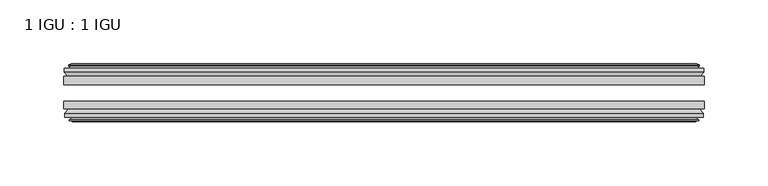
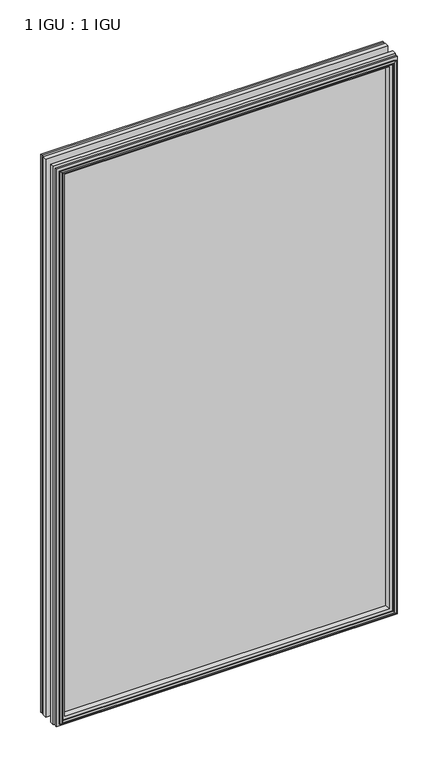
"""IFC4 building model written with IfcOpenShell, lengths in millimetres: plate geometry, 1 IGU : 1 IGU."""

from ifc_helpers import new_model, si_unit, frame, origin, place, context, project, spatial, polyline, outline, extrude, faceted_brep, source, transform, mapped, element, save


def plate_1_igu_1_igu_c4679957(model_context):
    return source(origin(), model_context, "Body", "SolidModel", [
        extrude(outline(polyline([(250.2202884, -25.8960937), (250.2202884, -32.2460938), (-250.2202884, -32.2460938), (-250.2202884, -25.8960937), (250.2202884, -25.8960937)])), frame((0.0, 0.0, -12.7), z_axis=(0.0, 0.0, 1.0), x_axis=(1.0, 0.0, 0.0)), (0.0, 0.0, 1.0), 863.6),
        extrude(outline(polyline([(-250.2202884, -51.2960938), (-250.2202884, -45.2686737), (250.2202884, -45.2686737), (250.2202884, -51.2960938), (-250.2202884, -51.2960938)])), frame((0.0, 0.0, -12.7), z_axis=(0.0, 0.0, 1.0), x_axis=(1.0, 0.0, 0.0)), (0.0, 0.0, 1.0), 863.6),
        faceted_brep([(-244.6322884, -60.0262907, 845.312), (-245.0132884, -57.6460937, 845.693), (-245.0132884, -57.6460937, -7.493), (-244.6322884, -60.0262907, -7.112), (-246.0478174, -59.5663575, 846.7275291), (-246.0478174, -59.5663575, -8.5275291), (-246.0478174, -60.3675717, 846.7275291), (-246.0478174, -60.3675717, -8.5275291), (-243.8702884, -61.0750937, 844.55), (-243.8702884, -61.0750937, -6.35), (-241.6927593, -60.3675717, 842.3724709), (-241.6927593, -60.3675717, -4.1724709), (-241.6927593, -59.5663575, 842.3724709), (-241.6927593, -59.5663575, -4.1724709), (-243.1082884, -60.0262907, 843.788), (-243.1082884, -60.0262907, -5.588), (-242.7272884, -57.6460937, 843.407), (-242.7272884, -57.6460937, -5.207), (-235.8025703, -51.2960937, 836.4822819), (-237.5202884, -57.6460937, 838.2), (-237.5202884, -57.6460937, 0.0), (-235.8025703, -51.2960937, 1.7177181), (-249.4582884, -54.6996937, 850.138), (-246.6239462, -51.2960937, 847.3036578), (-246.6239462, -51.2960937, -9.1036578), (-249.4582884, -54.6996937, -11.938), (-249.4582884, -57.6460937, 850.138), (-249.4582884, -57.6460937, -11.938), (245.0132884, -57.6460938, -7.493), (244.6322884, -60.0262907, -7.112), (246.0478174, -59.5663575, -8.5275291), (246.0478174, -60.3675717, -8.5275291), (243.8702884, -61.0750937, -6.35), (241.6927593, -60.3675717, -4.1724709), (241.6927593, -59.5663575, -4.1724709), (243.1082884, -60.0262907, -5.588), (242.7272884, -57.6460937, -5.207), (237.5202884, -57.6460937, 0.0), (235.8025703, -51.2960937, 1.7177181), (246.6239462, -51.2960937, -9.1036578), (249.4582884, -54.6996937, -11.938), (249.4582884, -57.6460938, -11.938), (245.0132884, -57.6460938, 845.693), (244.6322884, -60.0262907, 845.312), (246.0478174, -59.5663575, 846.7275291), (246.0478174, -60.3675717, 846.7275291), (243.8702884, -61.0750937, 844.55), (241.6927593, -60.3675717, 842.3724709), (241.6927593, -59.5663575, 842.3724709), (243.1082884, -60.0262907, 843.788), (242.7272884, -57.6460937, 843.407), (237.5202884, -57.6460937, 838.2), (235.8025703, -51.2960937, 836.4822819), (246.6239462, -51.2960937, 847.3036578), (249.4582884, -54.6996937, 850.138), (249.4582884, -57.6460938, 850.138)], [[[0, 1, 2, 3]], [[4, 0, 3, 5]], [[6, 4, 5, 7]], [[8, 6, 7, 9]], [[10, 8, 9, 11]], [[12, 10, 11, 13]], [[14, 12, 13, 15]], [[16, 14, 15, 17]], [[18, 19, 20, 21]], [[22, 23, 24, 25]], [[26, 22, 25, 27]], [[3, 2, 28, 29]], [[5, 3, 29, 30]], [[7, 5, 30, 31]], [[9, 7, 31, 32]], [[11, 9, 32, 33]], [[13, 11, 33, 34]], [[15, 13, 34, 35]], [[17, 15, 35, 36]], [[21, 20, 37, 38]], [[25, 24, 39, 40]], [[27, 25, 40, 41]], [[29, 28, 42, 43]], [[30, 29, 43, 44]], [[31, 30, 44, 45]], [[32, 31, 45, 46]], [[33, 32, 46, 47]], [[34, 33, 47, 48]], [[35, 34, 48, 49]], [[36, 35, 49, 50]], [[38, 37, 51, 52]], [[40, 39, 53, 54]], [[41, 40, 54, 55]], [[27, 41, 55, 26], [1, 42, 28, 2]], [[43, 42, 1, 0]], [[44, 43, 0, 4]], [[45, 44, 4, 6]], [[46, 45, 6, 8]], [[47, 46, 8, 10]], [[48, 47, 10, 12]], [[49, 48, 12, 14]], [[50, 49, 14, 16]], [[17, 36, 50, 16], [19, 51, 37, 20]], [[52, 51, 19, 18]], [[23, 53, 39, 24], [21, 38, 52, 18]], [[54, 53, 23, 22]], [[55, 54, 22, 26]]]),
        faceted_brep([(-247.1446462, -25.8960937, 847.8243578), (-249.9789884, -22.4924937, 850.6587), (-249.9789884, -22.4924937, -12.4587), (-247.1446462, -25.8960937, -9.6243578), (-238.0409884, -19.5460937, 838.7207), (-236.3232703, -25.8960937, 837.0029819), (-236.3232703, -25.8960937, 1.1970181), (-238.0409884, -19.5460937, -0.5207), (-243.6289884, -17.1658968, 844.3087), (-243.2479884, -19.5460937, 843.9277), (-243.2479884, -19.5460937, -5.7277), (-243.6289884, -17.1658968, -6.1087), (-242.2134593, -17.62583, 842.8931709), (-242.2134593, -17.62583, -4.6931709), (-242.2134593, -16.8246158, 842.8931709), (-242.2134593, -16.8246158, -4.6931709), (-244.3909884, -16.1170937, 845.0707), (-244.3909884, -16.1170937, -6.8707), (-246.5685174, -16.8246158, 847.2482291), (-246.5685174, -16.8246158, -9.0482291), (-246.5685174, -17.62583, 847.2482291), (-246.5685174, -17.62583, -9.0482291), (-245.1529884, -17.1658968, 845.8327), (-245.1529884, -17.1658968, -7.6327), (-245.5339884, -19.5460937, 846.2137), (-245.5339884, -19.5460937, -8.0137), (-249.9789884, -19.5460937, 850.6587), (-249.9789884, -19.5460937, -12.4587), (249.9789884, -22.4924937, -12.4587), (247.1446462, -25.8960937, -9.6243578), (236.3232703, -25.8960937, 1.1970181), (238.0409884, -19.5460937, -0.5207), (243.2479884, -19.5460937, -5.7277), (243.6289884, -17.1658968, -6.1087), (242.2134593, -17.62583, -4.6931709), (242.2134593, -16.8246158, -4.6931709), (244.3909884, -16.1170937, -6.8707), (246.5685174, -16.8246158, -9.0482291), (246.5685174, -17.62583, -9.0482291), (245.1529884, -17.1658968, -7.6327), (245.5339884, -19.5460937, -8.0137), (249.9789884, -19.5460937, -12.4587), (249.9789884, -22.4924937, 850.6587), (247.1446462, -25.8960937, 847.8243578), (236.3232703, -25.8960937, 837.0029819), (238.0409884, -19.5460937, 838.7207), (243.2479884, -19.5460937, 843.9277), (243.6289884, -17.1658968, 844.3087), (242.2134593, -17.62583, 842.8931709), (242.2134593, -16.8246158, 842.8931709), (244.3909884, -16.1170937, 845.0707), (246.5685174, -16.8246158, 847.2482291), (246.5685174, -17.62583, 847.2482291), (245.1529884, -17.1658968, 845.8327), (245.5339884, -19.5460937, 846.2137), (249.9789884, -19.5460937, 850.6587)], [[[0, 1, 2, 3]], [[4, 5, 6, 7]], [[8, 9, 10, 11]], [[12, 8, 11, 13]], [[14, 12, 13, 15]], [[16, 14, 15, 17]], [[18, 16, 17, 19]], [[20, 18, 19, 21]], [[22, 20, 21, 23]], [[24, 22, 23, 25]], [[1, 26, 27, 2]], [[3, 2, 28, 29]], [[7, 6, 30, 31]], [[11, 10, 32, 33]], [[13, 11, 33, 34]], [[15, 13, 34, 35]], [[17, 15, 35, 36]], [[19, 17, 36, 37]], [[21, 19, 37, 38]], [[23, 21, 38, 39]], [[25, 23, 39, 40]], [[2, 27, 41, 28]], [[29, 28, 42, 43]], [[31, 30, 44, 45]], [[33, 32, 46, 47]], [[34, 33, 47, 48]], [[35, 34, 48, 49]], [[36, 35, 49, 50]], [[37, 36, 50, 51]], [[38, 37, 51, 52]], [[39, 38, 52, 53]], [[40, 39, 53, 54]], [[28, 41, 55, 42]], [[43, 42, 1, 0]], [[3, 29, 43, 0], [5, 44, 30, 6]], [[45, 44, 5, 4]], [[9, 46, 32, 10], [7, 31, 45, 4]], [[47, 46, 9, 8]], [[48, 47, 8, 12]], [[49, 48, 12, 14]], [[50, 49, 14, 16]], [[51, 50, 16, 18]], [[52, 51, 18, 20]], [[53, 52, 20, 22]], [[54, 53, 22, 24]], [[26, 55, 41, 27], [25, 40, 54, 24]], [[42, 55, 26, 1]]]),
    ])


if __name__ == "__main__":
    model = new_model("IFC4")
    model_context = context("Model", 3, world=origin())
    ifc_project = project(units=[si_unit("LENGTHUNIT", "METRE", prefix="MILLI")], contexts=[model_context])
    site = spatial("IfcSite", under=ifc_project)
    building = spatial("IfcBuilding", under=site)
    placement = place(None, origin())
    plate_1_igu_1_igu_shape = plate_1_igu_1_igu_c4679957(model_context)
    element("IfcPlate", 1, ObjectType="1 IGU : 1 IGU", at=placement, inside=building, context=model_context, shape_type="MappedRepresentation", body=[
        mapped(plate_1_igu_1_igu_shape, transform((0.0, 0.0, 0.0), x_axis=(1.0, 0.0, 0.0), y_axis=(0.0, 1.0, 0.0), z_axis=(0.0, 0.0, 1.0))),
    ])
    save(model, "model.ifc")
